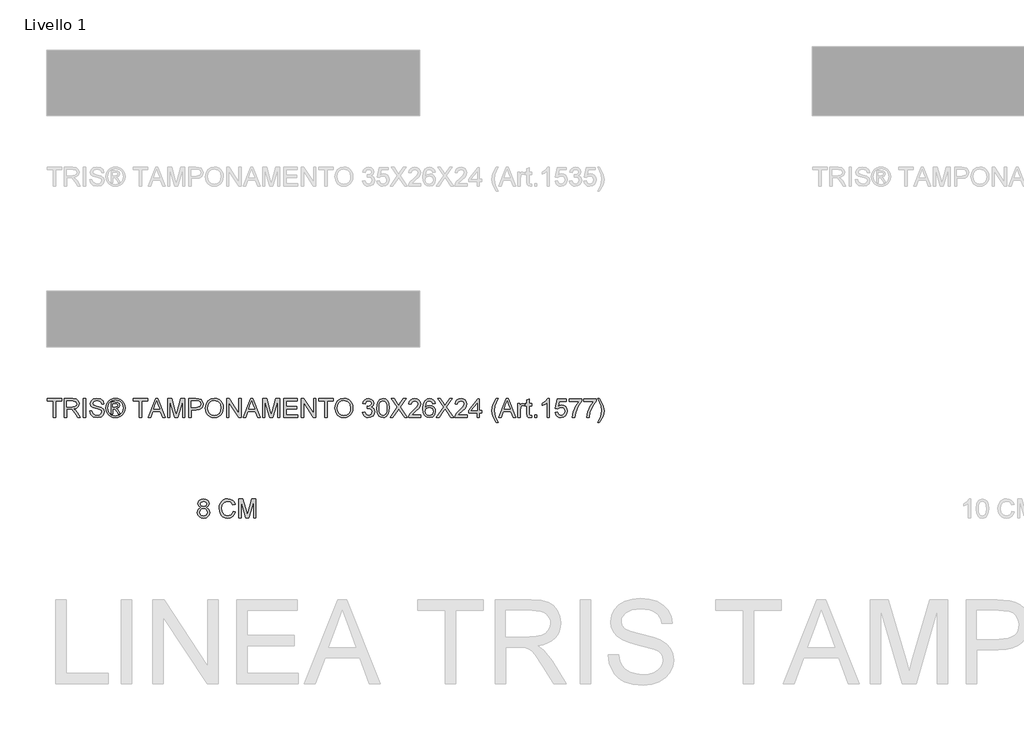
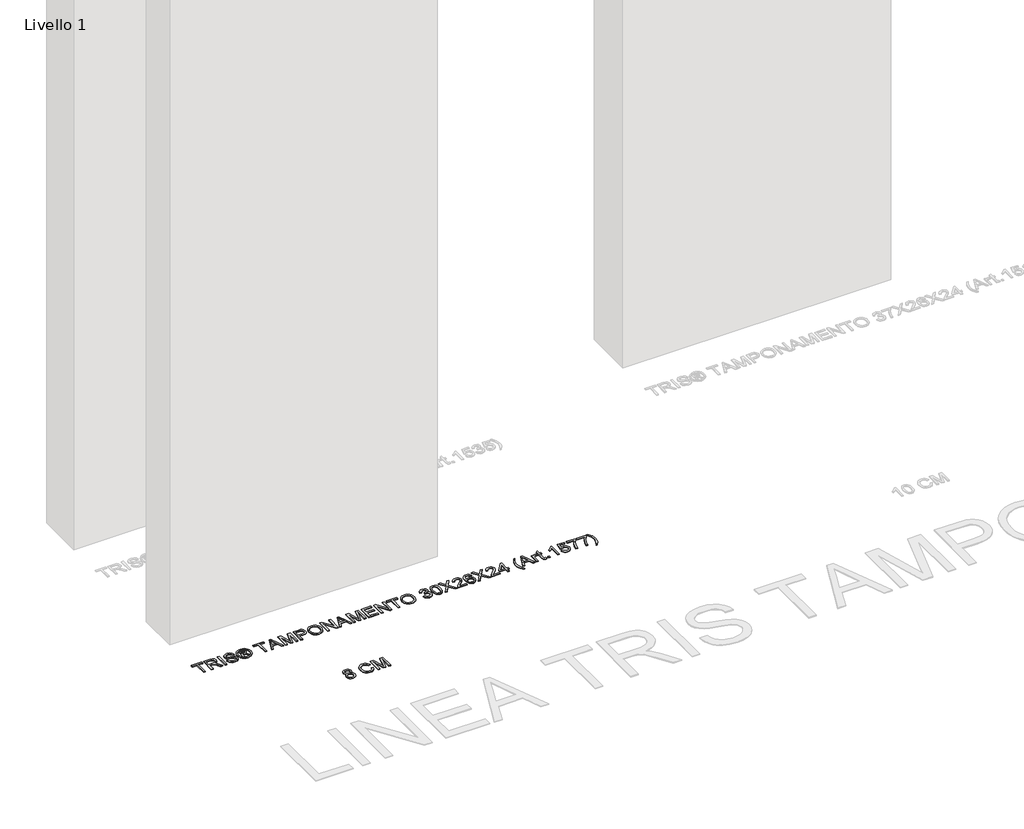
# One storey, part 8 of 16: 2 proxies.
"""IFC4 building model written with IfcOpenShell, lengths in millimetres."""

from ifc_helpers import new_model, si_unit, origin, origin_with_axes, place, context, project, spatial, polyline, outline, extrude, element, save

model = new_model("IFC4")

# Units and contexts
model_context = context("Model", 3, world=origin())
ifc_project = project(units=[si_unit("LENGTHUNIT", "METRE", prefix="MILLI")], contexts=[model_context])

# Site, building, storey
site = spatial("IfcSite", under=ifc_project)
building = spatial("IfcBuilding", under=site)
storey = spatial("IfcBuildingStorey", under=building, Name="Livello 1", Elevation=0.0)

# Proxies
placement = place(None, origin())
element("IfcBuildingElementProxy", 1, Name="100", ObjectType="100", at=placement, inside=storey, context=model_context, shape_type="SweptSolid", body=[
    extrude(outline(polyline([(-4784.880499, 4275.4704209), (-4796.3216291, 4283.2695192), (-4800.0372372, 4295.409625), (-4798.0138862, 4305.2259429), (-4791.9438333, 4313.3377409), (-4782.5076601, 4318.7823944), (-4770.3859484, 4320.5972789), (-4758.1906603, 4318.7394749), (-4748.6318598, 4313.1660626), (-4742.4514422, 4304.925506), (-4740.3913031, 4295.0662685), (-4744.0578603, 4283.232731), (-4755.1801593, 4275.4704209), (-4741.8260428, 4265.6234461), (-4737.2520434, 4249.3753247), (-4739.520649, 4237.3701089), (-4746.3264659, 4227.4495578), (-4756.8356283, 4220.7908937), (-4770.2142701, 4218.571339), (-4783.592912, 4220.8000907), (-4794.1020744, 4227.486346), (-4800.9078913, 4237.5019333), (-4803.1764969, 4249.7186812), (-4798.4185564, 4266.3469474), (-4784.880499, 4275.4704209)]), holes=[polyline([(-4790.6194581, 4250.1601396), (-4788.5225308, 4240.7055723), (-4781.1035772, 4233.6299753), (-4770.1161683, 4231.1283777), (-4761.5690433, 4232.4435559), (-4755.1556338, 4236.3890903), (-4749.8090821, 4249.7677321), (-4755.3273121, 4263.4038914), (-4761.8878743, 4267.4505934), (-4770.5331012, 4268.799494), (-4778.9606646, 4267.4689875), (-4785.3096947, 4263.4774678), (-4790.6194581, 4250.1601396)]), polyline([(-4787.4801985, 4295.041743), (-4783.0288263, 4285.1825055), (-4770.0671173, 4281.3565328), (-4757.3629258, 4285.1579801), (-4752.9483418, 4294.4776573), (-4757.5100786, 4304.1284283), (-4770.2142701, 4308.0402402), (-4782.9552499, 4304.2142674), (-4787.4801985, 4295.041743)])]), origin_with_axes(), (0.0, 0.0, 1.0), 5.0),
    extrude(outline(polyline([(-4611.6816557, 4255.8500478), (-4599.1246169, 4252.6126862), (-4604.9187583, 4237.9801799), (-4614.011575, 4227.2901422), (-4625.9554771, 4220.7510398), (-4640.3028749, 4218.571339), (-4654.8679362, 4220.2206766), (-4666.4347593, 4225.1686894), (-4675.3007154, 4233.2436992), (-4681.7631758, 4244.2740277), (-4687.0238883, 4271.1294133), (-4685.5370319, 4285.7772481), (-4681.0764627, 4298.4262574), (-4673.8751727, 4308.6748366), (-4664.1661537, 4316.1213813), (-4652.6514472, 4320.6555269), (-4640.0330948, 4322.1669088), (-4626.2651111, 4320.2110029), (-4614.882229, 4314.343285), (-4606.2400678, 4304.925506), (-4600.6942468, 4292.3194163), (-4613.2512855, 4289.3273094), (-4623.5519814, 4304.7660904), (-4640.5236041, 4309.60987), (-4660.1685027, 4304.2387929), (-4671.2662762, 4289.8178187), (-4674.4668495, 4271.1539388), (-4670.677665, 4249.5224775), (-4658.8809157, 4235.7023772), (-4641.5536737, 4231.1283777), (-4631.0721025, 4232.6857448), (-4622.3379708, 4237.3578462), (-4615.7436861, 4245.0956308), (-4611.6816557, 4255.8500478)])), origin_with_axes(), (0.0, 0.0, 1.0), 5.0),
    extrude(outline(polyline([(-4581.8586886, 4220.1409688), (-4581.8586886, 4320.5972789), (-4560.2517528, 4320.5972789), (-4539.699412, 4249.7922576), (-4535.5546082, 4235.0034014), (-4531.0664478, 4251.0185309), (-4510.8574635, 4320.5972789), (-4489.2505277, 4320.5972789), (-4489.2505277, 4220.1409688), (-4501.8075665, 4220.1409688), (-4501.8075665, 4308.0402402), (-4527.0442713, 4220.1409688), (-4544.064945, 4220.1409688), (-4569.3016498, 4308.0402402), (-4569.3016498, 4220.1409688), (-4581.8586886, 4220.1409688)])), origin_with_axes(), (0.0, 0.0, 1.0), 5.0),
])
element("IfcBuildingElementProxy", 2, Name="100", ObjectType="100", at=placement, inside=storey, context=model_context, shape_type="SweptSolid", body=[
    extrude(outline(polyline([(-5574.7353997, 4759.0708569), (-5574.7353997, 4846.9701283), (-5607.6976265, 4846.9701283), (-5607.6976265, 4859.527167), (-5529.2161342, 4859.527167), (-5529.2161342, 4846.9701283), (-5562.1783609, 4846.9701283), (-5562.1783609, 4759.0708569), (-5574.7353997, 4759.0708569)])), origin_with_axes(), (0.0, 0.0, 1.0), 5.0),
    extrude(outline(polyline([(-5515.0894655, 4759.0708569), (-5515.0894655, 4859.527167), (-5471.8020174, 4859.527167), (-5451.7033978, 4856.817103), (-5440.7159888, 4847.2276457), (-5436.6079732, 4832.0341193), (-5438.3094275, 4822.1380936), (-5443.4137901, 4813.9343251), (-5452.0743454, 4807.9194545), (-5464.4443775, 4804.5901224), (-5457.3074668, 4799.2190453), (-5447.1293983, 4786.2941245), (-5430.3785048, 4759.0708569), (-5444.9711573, 4759.0708569), (-5458.0432308, 4779.8929778), (-5467.4855354, 4793.6762899), (-5474.119674, 4800.1878012), (-5480.0916251, 4802.5790342), (-5487.3756886, 4803.0204926), (-5502.5324268, 4803.0204926), (-5502.5324268, 4759.0708569), (-5515.0894655, 4759.0708569)]), holes=[polyline([(-5502.5324268, 4815.5775314), (-5474.4262423, 4815.5775314), (-5460.0911073, 4817.3556277), (-5451.9486524, 4823.0455359), (-5449.165012, 4831.5681354), (-5454.4747755, 4842.6291207), (-5471.2624572, 4846.9701283), (-5502.5324268, 4846.9701283), (-5502.5324268, 4815.5775314)])]), origin_with_axes(), (0.0, 0.0, 1.0), 5.0),
    extrude(outline(polyline([(-5413.0635255, 4759.0708569), (-5413.0635255, 4859.527167), (-5400.5064868, 4859.527167), (-5400.5064868, 4759.0708569), (-5413.0635255, 4759.0708569)])), origin_with_axes(), (0.0, 0.0, 1.0), 5.0),
    extrude(outline(polyline([(-5380.1012988, 4793.6027135), (-5367.54426, 4793.6027135), (-5363.4975581, 4781.033412), (-5353.6137951, 4773.0871609), (-5338.5551588, 4770.0582658), (-5325.4340343, 4772.3513969), (-5316.9604857, 4778.6544418), (-5314.1768452, 4787.0789395), (-5316.2615099, 4794.914826), (-5324.7963722, 4800.6169969), (-5343.0801073, 4805.4117256), (-5362.7617941, 4811.6044058), (-5373.4426347, 4820.9486085), (-5376.9620391, 4833.4320709), (-5372.6087688, 4847.6445786), (-5359.8923145, 4857.6754943), (-5341.2774856, 4861.0967969), (-5321.4118578, 4857.5160788), (-5308.168106, 4846.9946537), (-5303.1894363, 4831.2738298), (-5315.7464751, 4831.2738298), (-5318.0518689, 4838.7663598), (-5322.8588603, 4844.1742251), (-5340.7869762, 4848.5397581), (-5358.7641431, 4844.2232761), (-5364.4050003, 4833.7999529), (-5360.4073493, 4825.0934123), (-5339.9040594, 4818.0791289), (-5317.6839869, 4811.7760841), (-5305.5316184, 4801.5980155), (-5301.6198065, 4787.3977705), (-5306.1202295, 4772.3759224), (-5319.0696758, 4761.4130389), (-5338.0646495, 4757.5012271), (-5360.4931884, 4761.7196073), (-5374.6811707, 4774.4237988), (-5380.1012988, 4793.6027135)])), origin_with_axes(), (0.0, 0.0, 1.0), 5.0),
    extrude(outline(polyline([(-5265.51832, 4777.9064151), (-5265.51832, 4840.6916089), (-5245.2357593, 4840.6916089), (-5230.177123, 4838.9625635), (-5222.7581694, 4832.9292988), (-5219.9990545, 4823.7690371), (-5224.7569949, 4811.8496605), (-5237.3630846, 4806.1597523), (-5232.4579914, 4802.8242889), (-5223.8986036, 4790.2917756), (-5216.8597948, 4777.9064151), (-5227.4547962, 4777.9064151), (-5232.9730262, 4787.8637544), (-5242.219127, 4802.2847286), (-5250.2389545, 4804.5901224), (-5256.1005409, 4804.5901224), (-5256.1005409, 4777.9064151), (-5265.51832, 4777.9064151)]), holes=[polyline([(-5256.1005409, 4814.0079015), (-5244.1811643, 4814.0079015), (-5232.5315678, 4816.3991345), (-5229.4168336, 4822.7389675), (-5230.912887, 4827.3007043), (-5235.0699535, 4830.2928112), (-5244.9414537, 4831.2738298), (-5256.1005409, 4831.2738298), (-5256.1005409, 4814.0079015)])]), origin_with_axes(), (0.0, 0.0, 1.0), 5.0),
    extrude(outline(polyline([(-5241.9493469, 4861.0967969), (-5229.0550829, 4859.4229338), (-5216.4673873, 4854.4013446), (-5205.4094677, 4846.2650211), (-5197.1045316, 4835.2469554), (-5191.9081985, 4822.5243697), (-5190.1760874, 4809.2744865), (-5191.883673, 4796.1410993), (-5197.0064298, 4783.5227468), (-5205.2101983, 4772.544535), (-5216.160819, 4764.3315694), (-5228.7699744, 4759.2088126), (-5241.9493469, 4757.5012271), (-5255.1103252, 4759.2088126), (-5267.7133492, 4764.3315694), (-5278.673167, 4772.544535), (-5286.9045267, 4783.5227468), (-5292.0548746, 4796.1410993), (-5293.7716572, 4809.2744865), (-5292.0303491, 4822.5243697), (-5286.8064248, 4835.2469554), (-5278.4738976, 4846.2650211), (-5267.4067809, 4854.4013446), (-5254.8252167, 4859.4229338), (-5241.9493469, 4861.0967969)]), holes=[polyline([(-5241.9493469, 4851.6790178), (-5262.7714678, 4846.1975761), (-5271.7999051, 4839.5358463), (-5278.6271818, 4830.5135404), (-5284.3538782, 4809.2744865), (-5278.7375464, 4788.2193737), (-5263.0167224, 4772.5353379), (-5241.9493469, 4766.9190061), (-5220.8697085, 4772.5353379), (-5205.1856728, 4788.2193737), (-5199.5938665, 4809.2744865), (-5205.2837747, 4830.5135404), (-5212.0926573, 4839.5358463), (-5221.1394887, 4846.1975761), (-5241.9493469, 4851.6790178)])]), origin_with_axes(), (0.0, 0.0, 1.0), 5.0),
    extrude(outline(polyline([(-5114.8338548, 4759.0708569), (-5114.8338548, 4846.9701283), (-5147.7960816, 4846.9701283), (-5147.7960816, 4859.527167), (-5069.3145893, 4859.527167), (-5069.3145893, 4846.9701283), (-5102.276816, 4846.9701283), (-5102.276816, 4759.0708569), (-5114.8338548, 4759.0708569)])), origin_with_axes(), (0.0, 0.0, 1.0), 5.0),
    extrude(outline(polyline([(-5066.8865681, 4759.0708569), (-5026.7874306, 4859.527167), (-5016.0943273, 4859.527167), (-4975.9951898, 4759.0708569), (-4989.2634671, 4759.0708569), (-5000.7659108, 4790.4634538), (-5042.1403725, 4790.4634538), (-5053.6182908, 4759.0708569), (-5066.8865681, 4759.0708569)]), holes=[polyline([(-5037.5295849, 4803.0204926), (-5005.352173, 4803.0204926), (-5014.4020701, 4827.7176372), (-5021.4408789, 4846.9701283), (-5027.6948729, 4829.8758782), (-5037.5295849, 4803.0204926)])]), origin_with_axes(), (0.0, 0.0, 1.0), 5.0),
    extrude(outline(polyline([(-4962.5797597, 4759.0708569), (-4962.5797597, 4859.527167), (-4940.9728239, 4859.527167), (-4920.4204831, 4788.7221457), (-4916.2756793, 4773.9332895), (-4911.7875189, 4789.948419), (-4891.5785346, 4859.527167), (-4869.9715988, 4859.527167), (-4869.9715988, 4759.0708569), (-4882.5286376, 4759.0708569), (-4882.5286376, 4846.9701283), (-4907.7653424, 4759.0708569), (-4924.7860161, 4759.0708569), (-4950.0227209, 4846.9701283), (-4950.0227209, 4759.0708569), (-4962.5797597, 4759.0708569)])), origin_with_axes(), (0.0, 0.0, 1.0), 5.0),
    extrude(outline(polyline([(-4847.996781, 4759.0708569), (-4847.996781, 4859.527167), (-4810.767123, 4859.527167), (-4795.7575376, 4858.5706739), (-4783.5561181, 4853.8740471), (-4775.6466552, 4844.1619624), (-4772.6545483, 4830.4644894), (-4774.6748336, 4818.6248206), (-4780.7356895, 4808.7594517), (-4792.0695206, 4802.1007876), (-4809.9087317, 4799.8812329), (-4835.4397422, 4799.8812329), (-4835.4397422, 4759.0708569), (-4847.996781, 4759.0708569)]), holes=[polyline([(-4835.4397422, 4812.4382717), (-4809.1729677, 4812.4382717), (-4790.6807661, 4817.0490593), (-4786.5788819, 4822.5979461), (-4785.2115871, 4830.023031), (-4788.4366859, 4840.4218288), (-4796.9102346, 4846.111737), (-4809.4672733, 4846.9701283), (-4835.4397422, 4846.9701283), (-4835.4397422, 4812.4382717)])]), origin_with_axes(), (0.0, 0.0, 1.0), 5.0),
    extrude(outline(polyline([(-4760.0975096, 4807.9746368), (-4756.7497834, 4830.1885779), (-4746.7066049, 4846.9946537), (-4731.3720571, 4857.5712611), (-4712.1502229, 4861.0967969), (-4698.9739161, 4859.4413279), (-4687.1587727, 4854.474921), (-4677.3485861, 4846.547064), (-4670.18715, 4836.0072448), (-4665.8093542, 4823.3643669), (-4664.350089, 4809.1273337), (-4665.8859963, 4794.7002281), (-4670.4937183, 4781.8795406), (-4677.9188032, 4771.3213273), (-4687.9067994, 4763.6816446), (-4699.6207752, 4759.0463314), (-4712.2237993, 4757.5012271), (-4725.6024412, 4759.2088126), (-4737.4850296, 4764.3315694), (-4747.2706907, 4772.4065792), (-4754.3585504, 4782.9709239), (-4760.0975096, 4807.9746368)]), holes=[polyline([(-4747.5404708, 4807.8520095), (-4745.0296762, 4792.1373169), (-4737.4972923, 4780.162758), (-4726.1757239, 4772.5843889), (-4712.2973757, 4770.0582658), (-4698.2166923, 4772.6089143), (-4686.8767298, 4780.2608598), (-4679.3995282, 4792.6033008), (-4676.9071277, 4809.2254356), (-4681.1745589, 4829.9494546), (-4693.6457585, 4843.6714531), (-4712.0766465, 4848.5397581), (-4725.5840471, 4846.1945104), (-4737.0680967, 4839.1587672), (-4744.9223773, 4826.6415824), (-4747.5404708, 4807.8520095)])]), origin_with_axes(), (0.0, 0.0, 1.0), 5.0),
    extrude(outline(polyline([(-4647.0841607, 4759.0708569), (-4647.0841607, 4859.527167), (-4633.6442051, 4859.527167), (-4581.1597071, 4779.9420288), (-4581.1597071, 4859.527167), (-4568.6026683, 4859.527167), (-4568.6026683, 4759.0708569), (-4582.0426239, 4759.0708569), (-4634.5271219, 4838.6805207), (-4634.5271219, 4759.0708569), (-4647.0841607, 4759.0708569)])), origin_with_axes(), (0.0, 0.0, 1.0), 5.0),
    extrude(outline(polyline([(-4558.326498, 4759.0708569), (-4518.2273605, 4859.527167), (-4507.5342571, 4859.527167), (-4467.4351197, 4759.0708569), (-4480.703397, 4759.0708569), (-4492.2058407, 4790.4634538), (-4533.5803024, 4790.4634538), (-4545.0582207, 4759.0708569), (-4558.326498, 4759.0708569)]), holes=[polyline([(-4528.9695147, 4803.0204926), (-4496.7921029, 4803.0204926), (-4505.842, 4827.7176372), (-4512.8808088, 4846.9701283), (-4519.1348027, 4829.8758782), (-4528.9695147, 4803.0204926)])]), origin_with_axes(), (0.0, 0.0, 1.0), 5.0),
    extrude(outline(polyline([(-4454.0196896, 4759.0708569), (-4454.0196896, 4859.527167), (-4432.4127537, 4859.527167), (-4411.8604129, 4788.7221457), (-4407.7156091, 4773.9332895), (-4403.2274488, 4789.948419), (-4383.0184645, 4859.527167), (-4361.4115287, 4859.527167), (-4361.4115287, 4759.0708569), (-4373.9685674, 4759.0708569), (-4373.9685674, 4846.9701283), (-4399.2052723, 4759.0708569), (-4416.2259459, 4759.0708569), (-4441.4626508, 4846.9701283), (-4441.4626508, 4759.0708569), (-4454.0196896, 4759.0708569)])), origin_with_axes(), (0.0, 0.0, 1.0), 5.0),
    extrude(outline(polyline([(-4339.4367108, 4759.0708569), (-4339.4367108, 4859.527167), (-4267.2337379, 4859.527167), (-4267.2337379, 4846.9701283), (-4326.8796721, 4846.9701283), (-4326.8796721, 4817.1471612), (-4270.3729976, 4817.1471612), (-4270.3729976, 4804.5901224), (-4326.8796721, 4804.5901224), (-4326.8796721, 4771.6278957), (-4265.6641081, 4771.6278957), (-4265.6641081, 4759.0708569), (-4339.4367108, 4759.0708569)])), origin_with_axes(), (0.0, 0.0, 1.0), 5.0),
    extrude(outline(polyline([(-4246.8285499, 4759.0708569), (-4246.8285499, 4859.527167), (-4233.3885943, 4859.527167), (-4180.9040964, 4779.9420288), (-4180.9040964, 4859.527167), (-4168.3470576, 4859.527167), (-4168.3470576, 4759.0708569), (-4181.7870132, 4759.0708569), (-4234.2715111, 4838.6805207), (-4234.2715111, 4759.0708569), (-4246.8285499, 4759.0708569)])), origin_with_axes(), (0.0, 0.0, 1.0), 5.0),
    extrude(outline(polyline([(-4121.2581622, 4759.0708569), (-4121.2581622, 4846.9701283), (-4154.220389, 4846.9701283), (-4154.220389, 4859.527167), (-4075.7388967, 4859.527167), (-4075.7388967, 4846.9701283), (-4108.7011234, 4846.9701283), (-4108.7011234, 4759.0708569), (-4121.2581622, 4759.0708569)])), origin_with_axes(), (0.0, 0.0, 1.0), 5.0),
    extrude(outline(polyline([(-4066.3211176, 4807.9746368), (-4062.9733914, 4830.1885779), (-4052.930213, 4846.9946537), (-4037.5956651, 4857.5712611), (-4018.3738309, 4861.0967969), (-4005.1975241, 4859.4413279), (-3993.3823807, 4854.474921), (-3983.5721942, 4846.547064), (-3976.410758, 4836.0072448), (-3972.0329622, 4823.3643669), (-3970.573697, 4809.1273337), (-3972.1096043, 4794.7002281), (-3976.7173263, 4781.8795406), (-3984.1424112, 4771.3213273), (-3994.1304074, 4763.6816446), (-4005.8443833, 4759.0463314), (-4018.4474073, 4757.5012271), (-4031.8260492, 4759.2088126), (-4043.7086376, 4764.3315694), (-4053.4942987, 4772.4065792), (-4060.5821585, 4782.9709239), (-4066.3211176, 4807.9746368)]), holes=[polyline([(-4053.7640788, 4807.8520095), (-4051.2532842, 4792.1373169), (-4043.7209004, 4780.162758), (-4032.399332, 4772.5843889), (-4018.5209837, 4770.0582658), (-4004.4403003, 4772.6089143), (-3993.1003378, 4780.2608598), (-3985.6231363, 4792.6033008), (-3983.1307358, 4809.2254356), (-3987.3981669, 4829.9494546), (-3999.8693665, 4843.6714531), (-4018.3002545, 4848.5397581), (-4031.8076551, 4846.1945104), (-4043.2917047, 4839.1587672), (-4051.1459853, 4826.6415824), (-4053.7640788, 4807.8520095)])]), origin_with_axes(), (0.0, 0.0, 1.0), 5.0),
    extrude(outline(polyline([(-3918.7759121, 4785.7545643), (-3906.2188733, 4787.3241941), (-3899.2904291, 4774.1049678), (-3886.3287201, 4770.0582658), (-3877.7202814, 4771.450086), (-3871.07388, 4775.6255467), (-3865.4084973, 4789.4088588), (-3871.0248291, 4802.3950932), (-3885.2986505, 4807.5331784), (-3894.1032929, 4806.1597523), (-3892.7053413, 4818.7167911), (-3890.6942531, 4818.5696383), (-3876.4449572, 4822.1748818), (-3871.6992794, 4826.7488813), (-3870.1173868, 4833.2603926), (-3874.703649, 4843.0828419), (-3886.5249238, 4846.9701283), (-3898.4933514, 4843.0460537), (-3904.6492435, 4831.2738298), (-3917.2062822, 4832.8434597), (-3913.5090682, 4844.1190428), (-3906.9301118, 4852.5374091), (-3897.9292657, 4857.7797276), (-3886.9663822, 4859.527167), (-3871.8219068, 4856.081339), (-3861.2269053, 4846.66356), (-3857.5603481, 4833.9961566), (-3861.0429643, 4822.4201365), (-3871.3436602, 4814.1060034), (-3857.6584499, 4805.5220902), (-3852.8514585, 4789.1881296), (-3855.2549542, 4776.9499219), (-3862.4654413, 4766.7228024), (-3873.348617, 4759.8066209), (-3886.7701785, 4757.5012271), (-3898.9102843, 4759.4693957), (-3908.7940473, 4765.3739018), (-3915.6673092, 4774.4054047), (-3918.7759121, 4785.7545643)])), origin_with_axes(), (0.0, 0.0, 1.0), 5.0),
    extrude(outline(polyline([(-3841.8640496, 4808.4896716), (-3838.1729669, 4837.3929337), (-3827.2100835, 4854.0579881), (-3808.9018228, 4859.527167), (-3794.235594, 4856.2898055), (-3784.1065764, 4846.9578655), (-3778.2204644, 4832.0954329), (-3775.9395961, 4808.4896716), (-3779.5938906, 4779.7090368), (-3790.5199858, 4763.0071942), (-3798.7513455, 4758.8777189), (-3808.9018228, 4757.5012271), (-3821.9493709, 4759.89246), (-3831.8576593, 4767.0661589), (-3839.362452, 4784.0561757), (-3841.8640496, 4808.4896716)]), holes=[polyline([(-3829.3070108, 4808.5141971), (-3827.8354829, 4788.7619996), (-3823.4208989, 4777.3300666), (-3816.8480739, 4771.876216), (-3808.9018228, 4770.0582658), (-3800.9555717, 4771.8823474), (-3794.3827468, 4777.3545921), (-3789.9681628, 4788.7926564), (-3788.4966348, 4808.5141971), (-3789.9191119, 4827.8218704), (-3794.186543, 4839.3427082), (-3800.7471053, 4845.0632733), (-3809.0489756, 4846.9701283), (-3816.9093876, 4845.2901338), (-3823.2246952, 4840.2501505), (-3827.7864319, 4828.0119428), (-3829.3070108, 4808.5141971)])]), origin_with_axes(), (0.0, 0.0, 1.0), 5.0),
    extrude(outline(polyline([(-3771.2307065, 4759.0708569), (-3732.5049952, 4813.8116978), (-3764.9521872, 4859.527167), (-3749.8935508, 4859.527167), (-3731.6220784, 4833.7999529), (-3725.4661863, 4823.7690371), (-3718.2556992, 4833.9716311), (-3700.1804305, 4859.527167), (-3684.901065, 4859.527167), (-3717.348257, 4813.664545), (-3678.6225456, 4759.0708569), (-3693.681182, 4759.0708569), (-3719.4819725, 4795.466649), (-3724.8530497, 4803.0204926), (-3730.7636871, 4794.730885), (-3755.951341, 4759.0708569), (-3771.2307065, 4759.0708569)])), origin_with_axes(), (0.0, 0.0, 1.0), 5.0),
    extrude(outline(polyline([(-3606.4195727, 4771.6278957), (-3606.4195727, 4759.0708569), (-3672.3440262, 4759.0708569), (-3670.9951256, 4767.7283465), (-3663.3677056, 4781.0579375), (-3647.6468816, 4795.6138018), (-3625.9663694, 4816.5340245), (-3620.5462413, 4830.758795), (-3625.659801, 4842.2735015), (-3639.0139175, 4846.9701283), (-3652.9321196, 4842.3838661), (-3658.2173576, 4829.7042), (-3670.7743964, 4831.2738298), (-3667.7301729, 4843.420067), (-3661.1481508, 4852.2921545), (-3651.3716868, 4857.7184139), (-3638.7441373, 4859.527167), (-3626.0246174, 4857.5160788), (-3616.2665474, 4851.4828141), (-3610.0585388, 4842.4697052), (-3607.9892025, 4831.5190845), (-3610.22102, 4819.6119706), (-3617.6399736, 4807.3001865), (-3635.6294031, 4790.0955718), (-3650.0749028, 4778.0167797), (-3655.7402855, 4771.6278957), (-3606.4195727, 4771.6278957)])), origin_with_axes(), (0.0, 0.0, 1.0), 5.0),
    extrude(outline(polyline([(-3529.5077102, 4832.8434597), (-3542.064749, 4831.2738298), (-3546.8226895, 4841.7462039), (-3559.4042537, 4846.9701283), (-3570.7350192, 4843.9289705), (-3579.3066697, 4832.5123659), (-3582.875125, 4810.1328778), (-3571.801877, 4820.1515308), (-3558.0798785, 4823.4256806), (-3546.4793329, 4821.1877318), (-3536.7427228, 4814.4738854), (-3530.139241, 4804.2161091), (-3527.9380804, 4791.3463706), (-3532.0828842, 4774.0191286), (-3543.4872261, 4761.7563955), (-3559.943814, 4757.5012271), (-3574.1900442, 4760.3216557), (-3585.5361381, 4768.7829416), (-3592.9581574, 4783.7189506), (-3595.4321638, 4805.9635486), (-3592.6853115, 4830.9733929), (-3584.4447549, 4848.0737743), (-3573.1936972, 4856.6638189), (-3558.6194388, 4859.527167), (-3547.601373, 4857.7552021), (-3538.7783365, 4852.4393073), (-3532.597919, 4843.9964155), (-3529.5077102, 4832.8434597)]), holes=[polyline([(-3582.875125, 4791.5425743), (-3579.9688572, 4780.66553), (-3572.2433353, 4772.7683299), (-3560.9248326, 4770.0582658), (-3552.6382907, 4771.4623488), (-3546.1237137, 4775.6745976), (-3541.9022678, 4782.2964735), (-3540.4951192, 4790.9294377), (-3541.8838737, 4799.2159796), (-3546.0501373, 4805.5343529), (-3552.6750789, 4809.5350696), (-3561.4398674, 4810.8686418), (-3576.6333938, 4805.5343529), (-3581.3146922, 4799.3692638), (-3582.875125, 4791.5425743)])]), origin_with_axes(), (0.0, 0.0, 1.0), 5.0),
    extrude(outline(polyline([(-3523.2291909, 4759.0708569), (-3484.5034795, 4813.8116978), (-3516.9506715, 4859.527167), (-3501.8920351, 4859.527167), (-3483.6205627, 4833.7999529), (-3477.4646707, 4823.7690371), (-3470.2541835, 4833.9716311), (-3452.1789149, 4859.527167), (-3436.8995493, 4859.527167), (-3469.3467413, 4813.664545), (-3430.6210299, 4759.0708569), (-3445.6796663, 4759.0708569), (-3471.4804569, 4795.466649), (-3476.851534, 4803.0204926), (-3482.7621714, 4794.730885), (-3507.9498253, 4759.0708569), (-3523.2291909, 4759.0708569)])), origin_with_axes(), (0.0, 0.0, 1.0), 5.0),
    extrude(outline(polyline([(-3358.418057, 4771.6278957), (-3358.418057, 4759.0708569), (-3424.3425106, 4759.0708569), (-3422.9936099, 4767.7283465), (-3415.3661899, 4781.0579375), (-3399.6453659, 4795.6138018), (-3377.9648537, 4816.5340245), (-3372.5447256, 4830.758795), (-3377.6582854, 4842.2735015), (-3391.0124018, 4846.9701283), (-3404.9306039, 4842.3838661), (-3410.2158419, 4829.7042), (-3422.7728807, 4831.2738298), (-3419.7286572, 4843.420067), (-3413.1466352, 4852.2921545), (-3403.3701711, 4857.7184139), (-3390.7426217, 4859.527167), (-3378.0231017, 4857.5160788), (-3368.2650318, 4851.4828141), (-3362.0570231, 4842.4697052), (-3359.9876869, 4831.5190845), (-3362.2195043, 4819.6119706), (-3369.6384579, 4807.3001865), (-3387.6278874, 4790.0955718), (-3402.0733871, 4778.0167797), (-3407.7387698, 4771.6278957), (-3358.418057, 4771.6278957)])), origin_with_axes(), (0.0, 0.0, 1.0), 5.0),
    extrude(outline(polyline([(-3305.0506422, 4759.0708569), (-3305.0506422, 4782.6153046), (-3350.5699078, 4782.6153046), (-3350.5699078, 4795.1723434), (-3301.9113826, 4857.9575372), (-3292.4936035, 4857.9575372), (-3292.4936035, 4795.1723434), (-3279.9365647, 4795.1723434), (-3279.9365647, 4782.6153046), (-3292.4936035, 4782.6153046), (-3292.4936035, 4759.0708569), (-3305.0506422, 4759.0708569)]), holes=[polyline([(-3305.0506422, 4795.1723434), (-3305.0506422, 4833.9716311), (-3335.118864, 4795.1723434), (-3305.0506422, 4795.1723434)])]), origin_with_axes(), (0.0, 0.0, 1.0), 5.0),
    extrude(outline(polyline([(-3201.4550724, 4730.8175197), (-3219.2850864, 4760.2726048), (-3224.7481341, 4777.4526939), (-3226.5691499, 4795.2459198), (-3221.1244964, 4825.7801254), (-3201.4550724, 4859.527167), (-3192.0372933, 4859.527167), (-3203.7849917, 4839.6370138), (-3210.848326, 4820.3599973), (-3214.0121112, 4795.1723434), (-3208.5184067, 4762.9826688), (-3192.0372933, 4730.8175197), (-3201.4550724, 4730.8175197)])), origin_with_axes(), (0.0, 0.0, 1.0), 5.0),
    extrude(outline(polyline([(-3189.6092722, 4759.0708569), (-3149.5101347, 4859.527167), (-3138.8170314, 4859.527167), (-3098.7178939, 4759.0708569), (-3111.9861712, 4759.0708569), (-3123.4886149, 4790.4634538), (-3164.8630766, 4790.4634538), (-3176.3409949, 4759.0708569), (-3189.6092722, 4759.0708569)]), holes=[polyline([(-3160.2522889, 4803.0204926), (-3128.0748771, 4803.0204926), (-3137.1247742, 4827.7176372), (-3144.163583, 4846.9701283), (-3150.4175769, 4829.8758782), (-3160.2522889, 4803.0204926)])]), origin_with_axes(), (0.0, 0.0, 1.0), 5.0),
    extrude(outline(polyline([(-3086.8720936, 4759.0708569), (-3086.8720936, 4832.8434597), (-3075.8846847, 4832.8434597), (-3075.8846847, 4821.9296271), (-3068.0855864, 4831.9850683), (-3060.2374372, 4834.4130895), (-3047.6313475, 4830.5380658), (-3051.8252022, 4819.2808768), (-3060.6543701, 4821.8560507), (-3067.7544926, 4819.3789786), (-3072.2794412, 4812.5118481), (-3074.3150549, 4797.8456192), (-3074.3150549, 4759.0708569), (-3086.8720936, 4759.0708569)])), origin_with_axes(), (0.0, 0.0, 1.0), 5.0),
    extrude(outline(polyline([(-3013.0994909, 4769.543231), (-3011.529861, 4758.7029749), (-3020.9231146, 4757.5012271), (-3031.4445397, 4759.5858917), (-3036.6929895, 4765.0550707), (-3038.2135684, 4779.3043666), (-3038.2135684, 4820.2864209), (-3047.6313475, 4820.2864209), (-3047.6313475, 4832.8434597), (-3038.2135684, 4832.8434597), (-3038.2135684, 4850.7715756), (-3025.6565296, 4858.1537409), (-3025.6565296, 4832.8434597), (-3013.0994909, 4832.8434597), (-3013.0994909, 4820.2864209), (-3025.6565296, 4820.2864209), (-3025.6565296, 4779.6722486), (-3024.9943421, 4773.1975255), (-3022.8483637, 4770.9043944), (-3018.5686699, 4770.0582658), (-3013.0994909, 4769.543231)])), origin_with_axes(), (0.0, 0.0, 1.0), 5.0),
    extrude(outline(polyline([(-2997.4031924, 4759.0708569), (-2997.4031924, 4771.6278957), (-2984.8461536, 4771.6278957), (-2984.8461536, 4759.0708569), (-2997.4031924, 4759.0708569)])), origin_with_axes(), (0.0, 0.0, 1.0), 5.0),
    extrude(outline(polyline([(-2917.3520703, 4759.0708569), (-2929.909109, 4759.0708569), (-2929.909109, 4837.3561455), (-2941.8039602, 4828.8825969), (-2955.0231866, 4822.5427638), (-2955.0231866, 4834.4130895), (-2936.6168241, 4846.1607879), (-2925.4454742, 4859.527167), (-2917.3520703, 4859.527167), (-2917.3520703, 4759.0708569)])), origin_with_axes(), (0.0, 0.0, 1.0), 5.0),
    extrude(outline(polyline([(-2887.5291032, 4785.7545643), (-2874.9720644, 4787.3241941), (-2868.6444941, 4774.3870106), (-2855.5233696, 4770.0582658), (-2846.5225235, 4771.5635163), (-2839.7780202, 4776.0792678), (-2835.5657714, 4783.0843541), (-2834.1616884, 4792.0576091), (-2839.422401, 4806.9690927), (-2846.0289485, 4811.0709769), (-2855.3271659, 4812.4382717), (-2866.351363, 4810.2555052), (-2873.4024346, 4804.5901224), (-2885.9594733, 4806.1597523), (-2874.9720644, 4857.9575372), (-2826.3135392, 4857.9575372), (-2826.3135392, 4845.4004984), (-2864.8185214, 4845.4004984), (-2870.1895985, 4817.7357724), (-2861.2194092, 4823.1804259), (-2851.8200242, 4824.9953104), (-2840.0876542, 4822.7450989), (-2830.3479784, 4815.9944643), (-2823.7904818, 4805.7060312), (-2821.6046497, 4792.8424241), (-2823.5728183, 4780.2853853), (-2829.4773244, 4769.543231), (-2840.7835643, 4760.511728), (-2855.5724205, 4757.5012271), (-2867.9056644, 4759.4356732), (-2877.7311794, 4765.2390117), (-2884.4664856, 4774.2367922), (-2887.5291032, 4785.7545643)])), origin_with_axes(), (0.0, 0.0, 1.0), 5.0),
    extrude(outline(polyline([(-2810.6172407, 4845.4004984), (-2810.6172407, 4857.9575372), (-2744.6927872, 4857.9575372), (-2744.6927872, 4847.8039941), (-2763.3934553, 4820.789193), (-2777.7040649, 4786.3677009), (-2782.3639035, 4759.0708569), (-2794.9209423, 4759.0708569), (-2789.9300099, 4787.3977705), (-2776.2325369, 4819.4157668), (-2757.249826, 4845.4004984), (-2810.6172407, 4845.4004984)])), origin_with_axes(), (0.0, 0.0, 1.0), 5.0),
    extrude(outline(polyline([(-2733.7053783, 4845.4004984), (-2733.7053783, 4857.9575372), (-2667.7809247, 4857.9575372), (-2667.7809247, 4847.8039941), (-2686.4815928, 4820.789193), (-2700.7922024, 4786.3677009), (-2705.452041, 4759.0708569), (-2718.0090798, 4759.0708569), (-2713.0181474, 4787.3977705), (-2699.3206745, 4819.4157668), (-2680.3379635, 4845.4004984), (-2733.7053783, 4845.4004984)])), origin_with_axes(), (0.0, 0.0, 1.0), 5.0),
    extrude(outline(polyline([(-2650.5149964, 4730.8175197), (-2659.9327755, 4730.8175197), (-2643.4516621, 4762.9826688), (-2637.9579577, 4795.1723434), (-2641.1217428, 4820.1392681), (-2648.1115007, 4839.4408101), (-2659.9327755, 4859.527167), (-2650.5149964, 4859.527167), (-2630.8455724, 4825.7801254), (-2625.4009189, 4795.2459198), (-2627.2311318, 4777.4526939), (-2632.7217706, 4760.2726048), (-2650.5149964, 4730.8175197)])), origin_with_axes(), (0.0, 0.0, 1.0), 5.0),
])

save(model, "model.ifc")
